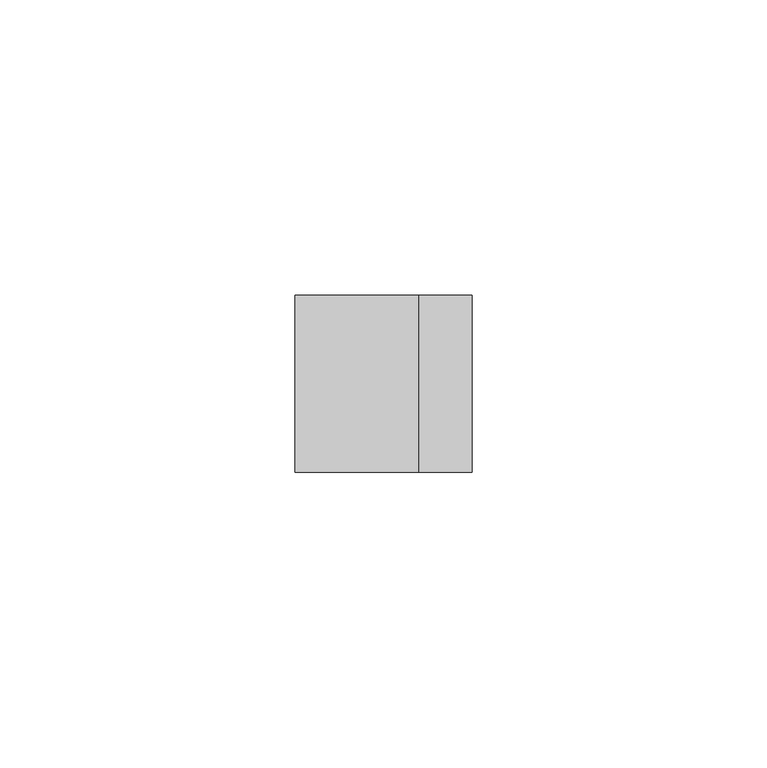
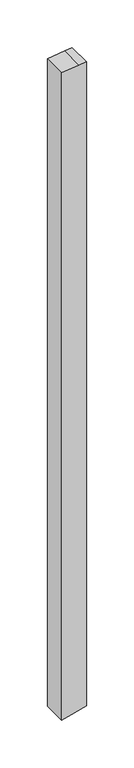
"""IFC4 building model written with IfcOpenShell, lengths in millimetres: member geometry."""

import ifcopenshell
import ifcopenshell.guid

model = None  # the IFC model being written
_history = None  # IfcOwnerHistory: only IFC2X3 demands one
_inside = {}  # id of a spatial element -> (the spatial element, [elements in it])
_under = {}  # id of a project, library or spatial element -> (it, [spatial elements below it])
_declared = {}  # id of a project -> (the project, [libraries it declares])
_typed = {}  # id of a type object -> (the type object, [elements of that type])
_made_of = {}  # id of a material, layer set ... -> (it, [elements and type objects made of it])


def new_model(schema):
    """Start an empty IFC model of exactly this schema.

    Asked for "IFC4X3", IfcOpenShell would pick the latest addendum, in which some entities
    have other attributes; the version numbers below select the first issue.
    IFC2X3 requires an IfcOwnerHistory on every rooted entity: one is made here for all.
    """
    global model, _history
    if schema == "IFC4X3":
        model = ifcopenshell.file(schema_version=(4, 3, 0, 0))
    else:
        model = ifcopenshell.file(schema=schema)
    _inside.clear()
    _under.clear()
    _declared.clear()
    _typed.clear()
    _made_of.clear()
    _history = None
    if model.schema == "IFC2X3":
        org = make("IfcOrganization", Name="unknown")
        user = make(
            "IfcPersonAndOrganization",
            ThePerson=make("IfcPerson", FamilyName="unknown"),
            TheOrganization=org,
        )
        app = make(
            "IfcApplication",
            ApplicationDeveloper=org,
            Version="unknown",
            ApplicationFullName="unknown",
            ApplicationIdentifier="unknown",
        )
        _history = make(
            "IfcOwnerHistory",
            OwningUser=user,
            OwningApplication=app,
            ChangeAction="ADDED",
            CreationDate=0,
        )
    return model


def make(cls, **values):
    """One entity of the class cls with the attributes given. An attribute that is None is left unset."""
    return model.create_entity(
        cls, **{name: value for name, value in values.items() if value is not None}
    )


def rooted(cls, **values):
    """An entity with a GlobalId (a new one), such as an element, a storey or a relation."""
    return make(cls, GlobalId=ifcopenshell.guid.new(), OwnerHistory=_history, **values)


def si_unit(unit_type, name, prefix=None):
    """IfcSIUnit, for example si_unit("LENGTHUNIT", "METRE", prefix="MILLI")."""
    return make("IfcSIUnit", UnitType=unit_type, Prefix=prefix, Name=name)


def assignment(units):
    """IfcUnitAssignment: the units of a project."""
    return None if units is None else make("IfcUnitAssignment", Units=units)


def point(xyz):
    """IfcCartesianPoint."""
    return None if xyz is None else make("IfcCartesianPoint", Coordinates=xyz)


def direction(xyz):
    """IfcDirection."""
    return None if xyz is None else make("IfcDirection", DirectionRatios=xyz)


def frame(location, z_axis=None, x_axis=None):
    """IfcAxis2Placement3D, a coordinate frame: its origin and axes. An axis left out is left unset."""
    return make(
        "IfcAxis2Placement3D",
        Location=point(location),
        Axis=direction(z_axis),
        RefDirection=direction(x_axis),
    )


def origin():
    """The frame at (0, 0, 0) with its axes left unset."""
    return frame((0.0, 0.0, 0.0))


def place(relative_to, where):
    """IfcLocalPlacement: puts the frame where relative to a parent placement (None: the world)."""
    return make(
        "IfcLocalPlacement", PlacementRelTo=relative_to, RelativePlacement=where
    )


def context(
    kind, dimensions, precision=None, world=None, true_north=None, identifier=None
):
    """IfcGeometricRepresentationContext, for example the 3D "Model" context."""
    return make(
        "IfcGeometricRepresentationContext",
        ContextIdentifier=identifier,
        ContextType=kind,
        CoordinateSpaceDimension=dimensions,
        Precision=precision,
        WorldCoordinateSystem=world,
        TrueNorth=true_north,
    )


def project(units=None, contexts=None):
    """IfcProject with its units and contexts."""
    return rooted(
        "IfcProject",
        Name="project",
        RepresentationContexts=contexts,
        UnitsInContext=assignment(units),
    )


def spatial(cls, under=None, at=None, **own):
    """A site, building, storey or space (cls), placed at a placement, below another one or the project."""
    s = rooted(cls, ObjectPlacement=at, **own)
    if under is not None:
        _under.setdefault(under.id(), (under, []))[1].append(s)
    return s


def polyline(points):
    """IfcPolyline through the points."""
    return make("IfcPolyline", Points=[point(p) for p in points])


def outline(outer, holes=None, kind="AREA"):
    """IfcArbitraryClosedProfileDef: a profile drawn as a closed curve; with holes, ...WithVoids."""
    if holes is None:
        return make("IfcArbitraryClosedProfileDef", ProfileType=kind, OuterCurve=outer)
    return make(
        "IfcArbitraryProfileDefWithVoids",
        ProfileType=kind,
        OuterCurve=outer,
        InnerCurves=holes,
    )


def extrude(swept, where, along, depth):
    """IfcExtrudedAreaSolid: the profile swept, set in the frame where, extruded along a direction by depth."""
    return make(
        "IfcExtrudedAreaSolid",
        SweptArea=swept,
        Position=where,
        ExtrudedDirection=direction(along),
        Depth=depth,
    )


def shape(context_of_items, identifier, shape_type, items):
    """IfcShapeRepresentation: the items that make up one representation, for example the "Body"."""
    return make(
        "IfcShapeRepresentation",
        ContextOfItems=context_of_items,
        RepresentationIdentifier=identifier,
        RepresentationType=shape_type,
        Items=items,
    )


def source(mapping_origin, context_of_items, identifier, shape_type, items):
    """IfcRepresentationMap: a shape defined once, which mapped items show again and again."""
    return make(
        "IfcRepresentationMap",
        MappingOrigin=mapping_origin,
        MappedRepresentation=shape(context_of_items, identifier, shape_type, items),
    )


def transform(
    local_origin,
    x_axis=None,
    y_axis=None,
    z_axis=None,
    scale=None,
    scale2=None,
    scale3=None,
    uniform=True,
):
    """IfcCartesianTransformationOperator3D, or its non-uniform kind. x_axis, y_axis, z_axis: its Axis1, 2, 3."""
    if uniform:
        return make(
            "IfcCartesianTransformationOperator3D",
            Axis1=direction(x_axis),
            Axis2=direction(y_axis),
            LocalOrigin=point(local_origin),
            Scale=scale,
            Axis3=direction(z_axis),
        )
    return make(
        "IfcCartesianTransformationOperator3DnonUniform",
        Axis1=direction(x_axis),
        Axis2=direction(y_axis),
        LocalOrigin=point(local_origin),
        Scale=scale,
        Axis3=direction(z_axis),
        Scale2=scale2,
        Scale3=scale3,
    )


def mapped(mapping_source, mapping_target):
    """IfcMappedItem: shows the shape of a source again, moved by a transform."""
    return make(
        "IfcMappedItem", MappingSource=mapping_source, MappingTarget=mapping_target
    )


def made_of(thing, what):
    """Note that an element or type object is made of a material, layer set ...; save() writes the relation."""
    if what is not None:
        _made_of.setdefault(what.id(), (what, []))[1].append(thing)
    return thing


def element(
    cls,
    number,
    at=None,
    inside=None,
    cuts=None,
    type_object=None,
    material=None,
    context=None,
    identifier="Body",
    shape_type=None,
    held_by="IfcProductDefinitionShape",
    body=None,
    shapes=None,
    **own,
):
    """One element of the class cls, such as IfcWall. Its Tag is "e" and its number.

    at: its placement. inside: the storey or other place that contains it. cuts: it is an
    opening in that element (IfcRelVoidsElement). A single representation is given by context,
    identifier, shape_type and body (its items); several are given by shapes. held_by: the class
    of the entity that holds the representations. save() writes the other relations.
    """
    e = rooted(cls, Tag="e%d" % number, ObjectPlacement=at, **own)
    if body is not None:
        shapes = [shape(context, identifier, shape_type, body)]
    if shapes is not None:
        e.Representation = make(held_by, Representations=shapes)
    if inside is not None:
        _inside.setdefault(inside.id(), (inside, []))[1].append(e)
    if cuts is not None:
        rooted(
            "IfcRelVoidsElement", RelatingBuildingElement=cuts, RelatedOpeningElement=e
        )
    if type_object is not None:
        _typed.setdefault(type_object.id(), (type_object, []))[1].append(e)
    return made_of(e, material)


def aggregate(whole, parts):
    """IfcRelAggregates: a whole, such as a stair, and the parts it consists of."""
    return rooted("IfcRelAggregates", RelatingObject=whole, RelatedObjects=parts)


def save(model, path):
    """Write the relations noted so far, then the file.

    IfcRelAggregates (storeys below a building ...), IfcRelContainedInSpatialStructure (elements
    in a storey), IfcRelDefinesByType, IfcRelAssociatesMaterial and IfcRelDeclares: one each for
    every whole, place, type object, material and project.
    """
    for whole, parts in _under.values():
        aggregate(whole, parts)
    for where, things in _inside.values():
        rooted(
            "IfcRelContainedInSpatialStructure",
            RelatedElements=things,
            RelatingStructure=where,
        )
    for kind, things in _typed.values():
        rooted("IfcRelDefinesByType", RelatedObjects=things, RelatingType=kind)
    for what, things in _made_of.values():
        rooted("IfcRelAssociatesMaterial", RelatedObjects=things, RelatingMaterial=what)
    for by, libraries in _declared.values():
        rooted("IfcRelDeclares", RelatingContext=by, RelatedDefinitions=libraries)
    model.write(path)


def member_d5835b67(model_context):
    return source(origin(), model_context, "Body", "SweptSolid", [
        extrude(outline(polyline([(-48.5433044, 15.0), (-49.6337196, 6.041016), (-52.1946624, -15.0), (-881.4232975, -15.0), (-879.1378184, -6.4704761), (-873.3848217, 15.0), (-48.5433044, 15.0)])), frame((0.0, -15.0, 0.0), z_axis=(0.0, 1.0, 0.0), x_axis=(0.0, 0.0, 1.0)), (0.0, 0.0, 1.0), 30.0),
    ])


if __name__ == "__main__":
    model = new_model("IFC4")
    model_context = context("Model", 3, world=origin())
    ifc_project = project(units=[si_unit("LENGTHUNIT", "METRE", prefix="MILLI")], contexts=[model_context])
    site = spatial("IfcSite", under=ifc_project)
    building = spatial("IfcBuilding", under=site)
    placement = place(None, origin())
    member_shape = member_d5835b67(model_context)
    element("IfcMember", 1, at=placement, inside=building, context=model_context, shape_type="MappedRepresentation", body=[
        mapped(member_shape, transform((0.0, 0.0, 0.0), x_axis=(1.0, 0.0, 0.0), y_axis=(0.0, 1.0, 0.0), z_axis=(0.0, 0.0, 1.0))),
    ])
    save(model, "model.ifc")
